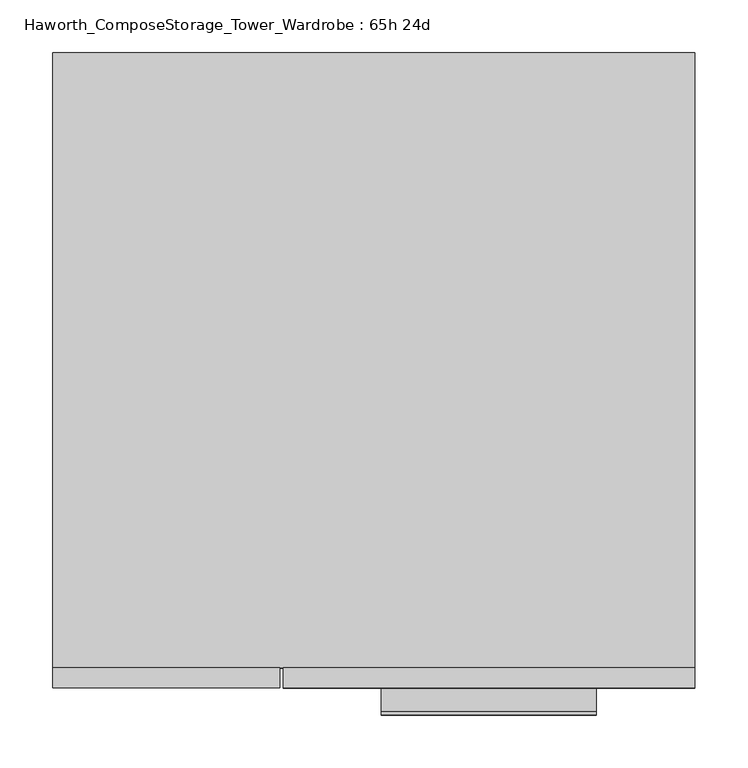
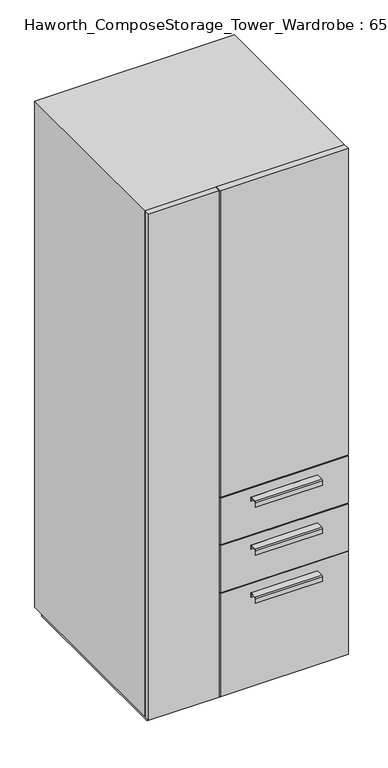
"""IFC4 building model written with IfcOpenShell, lengths in millimetres: furniture geometry, Haworth_ComposeStorage_Tower_Wardrobe : 65h 24d."""

from ifc_helpers import new_model, si_unit, point, frame, frame_2d, origin, origin_with_axes, place, context, project, spatial, polyline, circle_curve, trimmed, segment, composite_curve, outline, extrude, faceted_brep, source, transform, mapped, element, save


def haworth_composestorage_tower_wardrobe_65h_24d_ca49adeb(model_context):
    return source(origin(), model_context, "Body", "SolidModel", [
        extrude(outline(composite_curve([segment(polyline([(-331.7875242, 633.9919215), (-309.5625, 633.9919215), (-309.5625, 620.5299525), (-310.3562742, 620.5299525), (-310.3562742, 633.1982199), (-331.7875242, 633.1982199)]), True, "CONTINUOUS"), segment(trimmed(circle_curve(frame_2d((-331.7875242, 630.8142808)), 2.3839392), [point((-331.7875242, 633.1982199))], [point((-334.1714634, 630.8142808))], True, "CARTESIAN"), True, "CONTINUOUS"), segment(polyline([(-334.1714634, 630.8142808), (-334.1714634, 616.2119021), (-334.9624758, 616.2119021), (-334.9624758, 630.8169699)]), True, "CONTINUOUS"), segment(trimmed(circle_curve(frame_2d((-331.7875242, 630.8169699)), 3.1749516), [point((-334.9624758, 630.8169699))], [point((-331.7875242, 633.9919215))], False, "CARTESIAN"), True, "CONTINUOUS")], self_intersect=False)), frame((7.1576406, 0.0, 0.0), z_axis=(1.0, 0.0, 0.0), x_axis=(0.0, 1.0, 0.0)), (0.0, 0.0, 1.0), 203.2),
        extrude(outline(polyline([(303.2263906, -290.5125), (303.2263906, -309.5625), (-85.7111094, -309.5625), (-85.7111094, -290.5125), (303.2263906, -290.5125)])), frame((0.0, 0.0, 512.7625), z_axis=(0.0, 0.0, 1.0), x_axis=(1.0, 0.0, 0.0)), (0.0, 0.0, 1.0), 150.8125),
        extrude(outline(composite_curve([segment(polyline([(-331.7875242, 480.0044215), (-309.5625, 480.0044215), (-309.5625, 466.5424525), (-310.3562742, 466.5424525), (-310.3562742, 479.2107199), (-331.7875242, 479.2107199)]), True, "CONTINUOUS"), segment(trimmed(circle_curve(frame_2d((-331.7875242, 476.8267808)), 2.3839392), [point((-331.7875242, 479.2107199))], [point((-334.1714634, 476.8267808))], True, "CARTESIAN"), True, "CONTINUOUS"), segment(polyline([(-334.1714634, 476.8267808), (-334.1714634, 462.2244021), (-334.9624758, 462.2244021), (-334.9624758, 476.8294699)]), True, "CONTINUOUS"), segment(trimmed(circle_curve(frame_2d((-331.7875242, 476.8294699)), 3.1749516), [point((-334.9624758, 476.8294699))], [point((-331.7875242, 480.0044215))], False, "CARTESIAN"), True, "CONTINUOUS")], self_intersect=False)), frame((7.1576406, 0.0, 0.0), z_axis=(1.0, 0.0, 0.0), x_axis=(0.0, 1.0, 0.0)), (0.0, 0.0, 1.0), 203.2),
        extrude(outline(polyline([(303.2263906, -290.5125), (303.2263906, -309.5625), (-85.7111094, -309.5625), (-85.7111094, -290.5125), (303.2263906, -290.5125)])), frame((0.0, 0.0, 358.775), z_axis=(0.0, 0.0, 1.0), x_axis=(1.0, 0.0, 0.0)), (0.0, 0.0, 1.0), 150.8125),
        extrude(outline(composite_curve([segment(polyline([(-331.7875242, 326.0169215), (-309.5625, 326.0169215), (-309.5625, 312.5549525), (-310.3562742, 312.5549525), (-310.3562742, 325.2232199), (-331.7875242, 325.2232199)]), True, "CONTINUOUS"), segment(trimmed(circle_curve(frame_2d((-331.7875242, 322.8392808)), 2.3839392), [point((-331.7875242, 325.2232199))], [point((-334.1714634, 322.8392808))], True, "CARTESIAN"), True, "CONTINUOUS"), segment(polyline([(-334.1714634, 322.8392808), (-334.1714634, 308.2369021), (-334.9624758, 308.2369021), (-334.9624758, 322.8419699)]), True, "CONTINUOUS"), segment(trimmed(circle_curve(frame_2d((-331.7875242, 322.8419699)), 3.1749516), [point((-334.9624758, 322.8419699))], [point((-331.7875242, 326.0169215))], False, "CARTESIAN"), True, "CONTINUOUS")], self_intersect=False)), frame((7.1576406, 0.0, 0.0), z_axis=(1.0, 0.0, 0.0), x_axis=(0.0, 1.0, 0.0)), (0.0, 0.0, 1.0), 203.2),
        extrude(outline(polyline([(303.2263906, -290.5125), (303.2263906, -309.5625), (-85.7111094, -309.5625), (-85.7111094, -290.5125), (303.2263906, -290.5125)])), frame((0.0, 0.0, 25.4), z_axis=(0.0, 0.0, 1.0), x_axis=(1.0, 0.0, 0.0)), (0.0, 0.0, 1.0), 330.2),
        extrude(outline(polyline([(303.2263906, -290.5125), (303.2263906, -309.5625), (-85.7111094, -309.5625), (-85.7111094, -290.5125), (303.2263906, -290.5125)])), frame((0.0, 0.0, 666.75), z_axis=(0.0, 0.0, 1.0), x_axis=(1.0, 0.0, 0.0)), (0.0, 0.0, 1.0), 984.25),
        extrude(outline(polyline([(-303.1986094, -309.5625), (-303.1986094, -290.5125), (-88.8861094, -290.5125), (-88.8861094, -309.5625), (-303.1986094, -309.5625)])), frame((0.0, 0.0, 25.4), z_axis=(0.0, 0.0, 1.0), x_axis=(1.0, 0.0, 0.0)), (0.0, 0.0, 1.0), 1625.6),
        faceted_brep([(-303.1986094, -290.5125, 25.4), (303.2263906, -290.5125, 25.4), (303.2263906, -290.5125, 1651.0), (-303.1986094, -290.5125, 1651.0), (-284.1486094, -290.5125, 44.45), (-284.1486094, -290.5125, 1631.95), (284.1694453, -290.5125, 1631.95), (284.1694453, -290.5125, 44.45), (-303.1986094, 290.5125, 25.4), (-303.1986094, 290.5125, 1651.0), (303.2263906, 290.5125, 1651.0), (303.2263906, 290.5125, 25.4), (-284.1486094, 271.4625, 44.45), (-284.1486094, 271.4625, 1631.95), (284.1694453, 271.4625, 1631.95), (284.1694453, 271.4625, 44.45)], [[[0, 1, 2, 3], [4, 5, 6, 7]], [[8, 9, 10, 11]], [[1, 0, 8, 11]], [[2, 1, 11, 10]], [[3, 2, 10, 9]], [[0, 3, 9, 8]], [[5, 4, 12, 13]], [[6, 5, 13, 14]], [[7, 6, 14, 15]], [[4, 7, 15, 12]], [[13, 12, 15, 14]]]),
        extrude(outline(polyline([(290.5263906, -277.8125), (-290.4986094, -277.8125), (-290.4986094, 277.8125), (290.5263906, 277.8125), (290.5263906, -277.8125)])), origin_with_axes(), (0.0, 0.0, 1.0), 25.4),
    ])


if __name__ == "__main__":
    model = new_model("IFC4")
    model_context = context("Model", 3, world=origin())
    ifc_project = project(units=[si_unit("LENGTHUNIT", "METRE", prefix="MILLI")], contexts=[model_context])
    site = spatial("IfcSite", under=ifc_project)
    building = spatial("IfcBuilding", under=site)
    placement = place(None, origin())
    haworth_composestorage_tower_wardrobe_65h_24d_shape = haworth_composestorage_tower_wardrobe_65h_24d_ca49adeb(model_context)
    element("IfcFurniture", 1, ObjectType="Haworth_ComposeStorage_Tower_Wardrobe : 65h 24d", at=placement, inside=building, context=model_context, shape_type="MappedRepresentation", body=[
        mapped(haworth_composestorage_tower_wardrobe_65h_24d_shape, transform((0.0, 0.0, 0.0), x_axis=(1.0, 0.0, 0.0), y_axis=(0.0, 1.0, 0.0), z_axis=(0.0, 0.0, 1.0))),
    ])
    save(model, "model.ifc")
